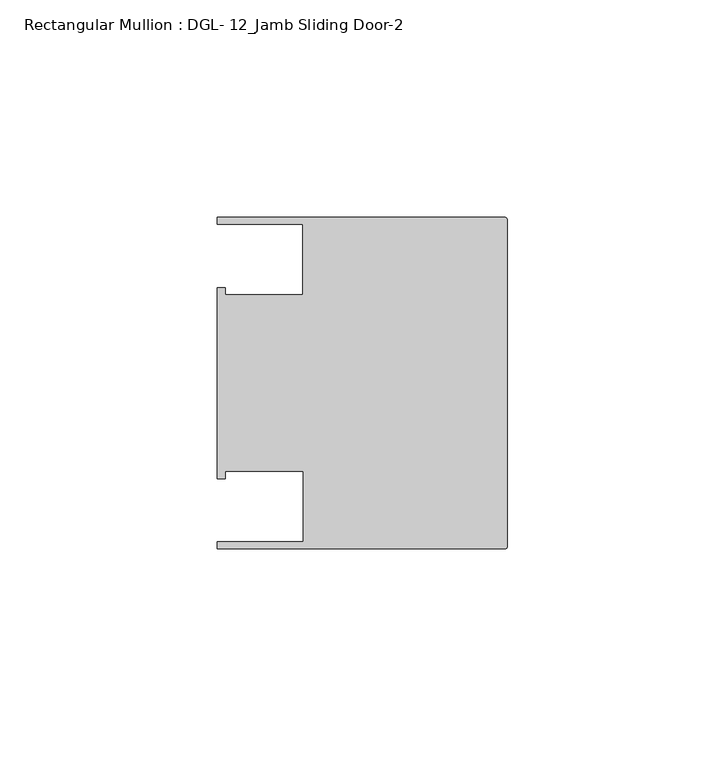
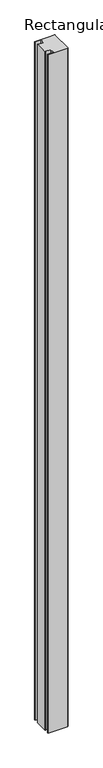
"""IFC4 building model written with IfcOpenShell, lengths in millimetres: member geometry, Rectangular Mullion : DGL- 12_Jamb Sliding Door-2."""

from ifc_helpers import new_model, si_unit, frame, origin, place, context, project, spatial, circle_curve, source, transform, mapped, element, save
from ifc_brep_helpers import plane_surface, cylinder_surface, advanced_brep


def rectangular_mullion_dgl_12_jamb_sliding_door_2_3c8218da(model_context):
    return source(origin(), model_context, "Body", "AdvancedBrep", [
        advanced_brep(
        [(-66.6740655, 38.0996472, 0.0), (-66.6740655, 36.512484, 0.0), (-47.0121851, 36.512484, 0.0), (-47.0121851, 20.3415833, 0.0), (-64.9202072, 20.3415833, 0.0), (-64.9202072, 21.9710656, 0.0), (-66.6740655, 21.9710656, 0.0), (-66.6740655, -21.9711296, 0.0), (-64.9202072, -21.9711296, 0.0), (-64.9202072, -20.292327, 0.0), (-46.9507384, -20.292327, 0.0), (-46.9507384, -36.5073056, 0.0), (-66.6649711, -36.5073056, 0.0), (-66.6649711, -38.100048, 0.0), (-0.5953125, -38.100048, 0.0), (0.0, -37.5047355, 0.0), (0.0, 37.5046715, 0.0), (-0.5953125, 38.099984, 0.0), (-12.0300178, 38.099984, 0.0), (-66.6740655, 38.0996472, -2386.0078176), (-12.0300178, 38.0996472, -2386.0078176), (-0.5953125, 38.099984, -2386.0078176), (0.0, 37.5046715, -2386.0078176), (0.0, -37.5047355, -2386.0078176), (-0.5953125, -38.100048, -2386.0078176), (-66.6649711, -38.100048, -2386.0078176), (-66.6649711, -36.5073056, -2386.0078176), (-46.9507384, -36.5073056, -2386.0078176), (-46.9507384, -20.292327, -2386.0078176), (-64.9202072, -20.292327, -2386.0078176), (-64.9202072, -21.9711296, -2386.0078176), (-66.6740655, -21.9711296, -2386.0078176), (-66.6740655, 21.9710656, -2386.0078176), (-64.9202072, 21.9710656, -2386.0078176), (-64.9202072, 20.3415833, -2386.0078176), (-47.0121851, 20.3415833, -2386.0078176), (-47.0121851, 36.512484, -2386.0078176), (-66.6740655, 36.512484, -2386.0078176)],
        [
            (0, 1),
            (1, 2),
            (2, 3),
            (3, 4),
            (4, 5),
            (5, 6),
            (6, 7),
            (7, 8),
            (8, 9),
            (9, 10),
            (10, 11),
            (11, 12),
            (12, 13),
            (13, 14),
            (14, 15, circle_curve(frame((-0.5953125, -37.5047355, 0.0), z_axis=(0.0, 0.0, 1.0), x_axis=(1.0, 0.0, 0.0)), 0.5953125)),
            (15, 16),
            (16, 17, circle_curve(frame((-0.5953125, 37.5046715, 0.0), z_axis=(0.0, 0.0, 1.0), x_axis=(1.0, 0.0, 0.0)), 0.5953125)),
            (17, 18),
            (18, 0),
            (19, 20),
            (20, 21),
            (21, 22, circle_curve(frame((-0.5953125, 37.5046715, -2386.0078176), z_axis=(0.0, 0.0, -1.0), x_axis=(1.0, 0.0, 0.0)), 0.5953125)),
            (22, 23),
            (23, 24, circle_curve(frame((-0.5953125, -37.5047355, -2386.0078176), z_axis=(0.0, 0.0, -1.0), x_axis=(1.0, 0.0, 0.0)), 0.5953125)),
            (24, 25),
            (25, 26),
            (26, 27),
            (27, 28),
            (28, 29),
            (29, 30),
            (30, 31),
            (31, 32),
            (32, 33),
            (33, 34),
            (34, 35),
            (35, 36),
            (36, 37),
            (37, 19),
            (18, 20),
            (19, 0),
            (37, 1),
            (36, 2),
            (35, 3),
            (34, 4),
            (33, 5),
            (32, 6),
            (31, 7),
            (30, 8),
            (29, 9),
            (28, 10),
            (27, 11),
            (26, 12),
            (25, 13),
            (24, 14),
            (15, 23),
            (22, 16),
            (17, 21),
        ],
        [
            plane_surface(frame((0.0, -76.7920186, 0.0), z_axis=(0.0, 0.0, 1.0), x_axis=(-1.0, 0.0, 0.0))),
            plane_surface(frame((0.0, -76.7920186, -2386.0078176), z_axis=(0.0, 0.0, -1.0), x_axis=(-1.0, 0.0, 0.0))),
            plane_surface(frame((-12.0300178, 38.0996472, 0.0), z_axis=(0.0, 1.0, 0.0), x_axis=(0.0, 0.0, -1.0))),
            plane_surface(frame((-66.6740655, 38.0996472, 0.0), z_axis=(-1.0, 0.0, 0.0), x_axis=(0.0, 0.0, -1.0))),
            plane_surface(frame((-66.6740655, 36.512484, 0.0), z_axis=(0.0, -1.0, 0.0), x_axis=(0.0, 0.0, -1.0))),
            plane_surface(frame((-47.0121851, 36.512484, 0.0), z_axis=(-1.0, 0.0, 0.0), x_axis=(0.0, 0.0, -1.0))),
            plane_surface(frame((-47.0121851, 20.3415833, 0.0), z_axis=(0.0, 1.0, 0.0), x_axis=(0.0, 0.0, -1.0))),
            plane_surface(frame((-64.9202072, 20.3415833, 0.0), z_axis=(1.0, 0.0, 0.0), x_axis=(0.0, 0.0, -1.0))),
            plane_surface(frame((-64.9202072, 21.9710656, 0.0), z_axis=(0.0, 1.0, 0.0), x_axis=(0.0, 0.0, -1.0))),
            plane_surface(frame((-66.6740655, 21.9710656, 0.0), z_axis=(-1.0, 0.0, 0.0), x_axis=(0.0, 0.0, -1.0))),
            plane_surface(frame((-66.6740655, -21.9711296, 0.0), z_axis=(0.0, -1.0, 0.0), x_axis=(0.0, 0.0, -1.0))),
            plane_surface(frame((-64.9202072, -21.9711296, 0.0), z_axis=(1.0, 0.0, 0.0), x_axis=(0.0, 0.0, -1.0))),
            plane_surface(frame((-64.9202072, -20.292327, 0.0), z_axis=(0.0, -1.0, 0.0), x_axis=(0.0, 0.0, -1.0))),
            plane_surface(frame((-46.9507384, -20.292327, 0.0), z_axis=(-1.0, 0.0, 0.0), x_axis=(0.0, 0.0, -1.0))),
            plane_surface(frame((-46.9507384, -36.5073056, 0.0), z_axis=(0.0, 1.0, 0.0), x_axis=(0.0, 0.0, -1.0))),
            plane_surface(frame((-66.6649711, -36.5073056, 0.0), z_axis=(-1.0, 0.0, 0.0), x_axis=(0.0, 0.0, -1.0))),
            plane_surface(frame((-66.6649711, -38.100048, 0.0), z_axis=(0.0, -1.0, 0.0), x_axis=(0.0, 0.0, -1.0))),
            plane_surface(frame((0.0, -37.5047355, 0.0), z_axis=(1.0, 0.0, 0.0), x_axis=(0.0, 0.0, -1.0))),
            plane_surface(frame((-0.5953125, 38.099984, 0.0), z_axis=(0.0, 1.0, 0.0), x_axis=(0.0, 0.0, -1.0))),
            cylinder_surface(frame((-0.5953125, -37.5047355, 0.0), z_axis=(0.0, 0.0, 1.0), x_axis=(1.0, 0.0, 0.0)), 0.5953125),
            cylinder_surface(frame((-0.5953125, 37.5046715, 0.0), z_axis=(0.0, 0.0, 1.0), x_axis=(1.0, 0.0, 0.0)), 0.5953125),
        ],
        [
            (0, [[1, 2, 3, 4, 5, 6, 7, 8, 9, 10, 11, 12, 13, 14, 15, 16, 17, 18, 19]]),
            (1, [[20, 21, 22, 23, 24, 25, 26, 27, 28, 29, 30, 31, 32, 33, 34, 35, 36, 37, 38]]),
            (2, [[-19, 39, -20, 40]]),
            (3, [[-1, -40, -38, 41]]),
            (4, [[-2, -41, -37, 42]]),
            (5, [[-3, -42, -36, 43]]),
            (6, [[-4, -43, -35, 44]]),
            (7, [[-5, -44, -34, 45]]),
            (8, [[-6, -45, -33, 46]]),
            (9, [[-7, -46, -32, 47]]),
            (10, [[-8, -47, -31, 48]]),
            (11, [[-9, -48, -30, 49]]),
            (12, [[-10, -49, -29, 50]]),
            (13, [[-11, -50, -28, 51]]),
            (14, [[-12, -51, -27, 52]]),
            (15, [[-13, -52, -26, 53]]),
            (16, [[-14, -53, -25, 54]]),
            (17, [[-16, 55, -23, 56]]),
            (18, [[-18, 57, -21, -39]]),
            (19, [[-15, -54, -24, -55]]),
            (20, [[-17, -56, -22, -57]]),
        ],
    ),
    ])


if __name__ == "__main__":
    model = new_model("IFC4")
    model_context = context("Model", 3, world=origin())
    ifc_project = project(units=[si_unit("LENGTHUNIT", "METRE", prefix="MILLI")], contexts=[model_context])
    site = spatial("IfcSite", under=ifc_project)
    building = spatial("IfcBuilding", under=site)
    placement = place(None, origin())
    rectangular_mullion_dgl_12_jamb_sliding_door_2_shape = rectangular_mullion_dgl_12_jamb_sliding_door_2_3c8218da(model_context)
    element("IfcMember", 1, ObjectType="Rectangular Mullion : DGL- 12_Jamb Sliding Door-2", at=placement, inside=building, context=model_context, shape_type="MappedRepresentation", body=[
        mapped(rectangular_mullion_dgl_12_jamb_sliding_door_2_shape, transform((0.0, 0.0, 0.0), x_axis=(1.0, 0.0, 0.0), y_axis=(0.0, 1.0, 0.0), z_axis=(0.0, 0.0, 1.0))),
    ])
    save(model, "model.ifc")
